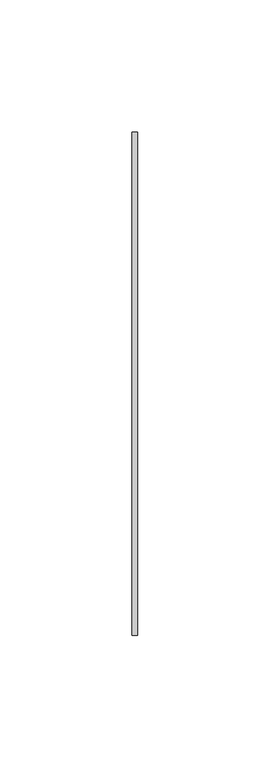
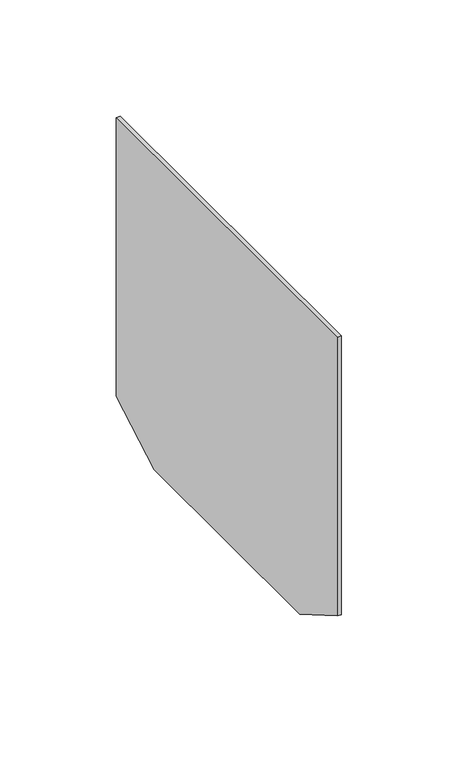
"""IFC4 building model written with IfcOpenShell, lengths in millimetres: proxy geometry."""

import ifcopenshell
import ifcopenshell.guid

model = None  # the IFC model being written
_history = None  # IfcOwnerHistory: only IFC2X3 demands one
_inside = {}  # id of a spatial element -> (the spatial element, [elements in it])
_under = {}  # id of a project, library or spatial element -> (it, [spatial elements below it])
_declared = {}  # id of a project -> (the project, [libraries it declares])
_typed = {}  # id of a type object -> (the type object, [elements of that type])
_made_of = {}  # id of a material, layer set ... -> (it, [elements and type objects made of it])


def new_model(schema):
    """Start an empty IFC model of exactly this schema.

    Asked for "IFC4X3", IfcOpenShell would pick the latest addendum, in which some entities
    have other attributes; the version numbers below select the first issue.
    IFC2X3 requires an IfcOwnerHistory on every rooted entity: one is made here for all.
    """
    global model, _history
    if schema == "IFC4X3":
        model = ifcopenshell.file(schema_version=(4, 3, 0, 0))
    else:
        model = ifcopenshell.file(schema=schema)
    _inside.clear()
    _under.clear()
    _declared.clear()
    _typed.clear()
    _made_of.clear()
    _history = None
    if model.schema == "IFC2X3":
        org = make("IfcOrganization", Name="unknown")
        user = make(
            "IfcPersonAndOrganization",
            ThePerson=make("IfcPerson", FamilyName="unknown"),
            TheOrganization=org,
        )
        app = make(
            "IfcApplication",
            ApplicationDeveloper=org,
            Version="unknown",
            ApplicationFullName="unknown",
            ApplicationIdentifier="unknown",
        )
        _history = make(
            "IfcOwnerHistory",
            OwningUser=user,
            OwningApplication=app,
            ChangeAction="ADDED",
            CreationDate=0,
        )
    return model


def make(cls, **values):
    """One entity of the class cls with the attributes given. An attribute that is None is left unset."""
    return model.create_entity(
        cls, **{name: value for name, value in values.items() if value is not None}
    )


def rooted(cls, **values):
    """An entity with a GlobalId (a new one), such as an element, a storey or a relation."""
    return make(cls, GlobalId=ifcopenshell.guid.new(), OwnerHistory=_history, **values)


def si_unit(unit_type, name, prefix=None):
    """IfcSIUnit, for example si_unit("LENGTHUNIT", "METRE", prefix="MILLI")."""
    return make("IfcSIUnit", UnitType=unit_type, Prefix=prefix, Name=name)


def assignment(units):
    """IfcUnitAssignment: the units of a project."""
    return None if units is None else make("IfcUnitAssignment", Units=units)


def point(xyz):
    """IfcCartesianPoint."""
    return None if xyz is None else make("IfcCartesianPoint", Coordinates=xyz)


def direction(xyz):
    """IfcDirection."""
    return None if xyz is None else make("IfcDirection", DirectionRatios=xyz)


def frame(location, z_axis=None, x_axis=None):
    """IfcAxis2Placement3D, a coordinate frame: its origin and axes. An axis left out is left unset."""
    return make(
        "IfcAxis2Placement3D",
        Location=point(location),
        Axis=direction(z_axis),
        RefDirection=direction(x_axis),
    )


def origin():
    """The frame at (0, 0, 0) with its axes left unset."""
    return frame((0.0, 0.0, 0.0))


def place(relative_to, where):
    """IfcLocalPlacement: puts the frame where relative to a parent placement (None: the world)."""
    return make(
        "IfcLocalPlacement", PlacementRelTo=relative_to, RelativePlacement=where
    )


def context(
    kind, dimensions, precision=None, world=None, true_north=None, identifier=None
):
    """IfcGeometricRepresentationContext, for example the 3D "Model" context."""
    return make(
        "IfcGeometricRepresentationContext",
        ContextIdentifier=identifier,
        ContextType=kind,
        CoordinateSpaceDimension=dimensions,
        Precision=precision,
        WorldCoordinateSystem=world,
        TrueNorth=true_north,
    )


def project(units=None, contexts=None):
    """IfcProject with its units and contexts."""
    return rooted(
        "IfcProject",
        Name="project",
        RepresentationContexts=contexts,
        UnitsInContext=assignment(units),
    )


def spatial(cls, under=None, at=None, **own):
    """A site, building, storey or space (cls), placed at a placement, below another one or the project."""
    s = rooted(cls, ObjectPlacement=at, **own)
    if under is not None:
        _under.setdefault(under.id(), (under, []))[1].append(s)
    return s


def polyline(points):
    """IfcPolyline through the points."""
    return make("IfcPolyline", Points=[point(p) for p in points])


def outline(outer, holes=None, kind="AREA"):
    """IfcArbitraryClosedProfileDef: a profile drawn as a closed curve; with holes, ...WithVoids."""
    if holes is None:
        return make("IfcArbitraryClosedProfileDef", ProfileType=kind, OuterCurve=outer)
    return make(
        "IfcArbitraryProfileDefWithVoids",
        ProfileType=kind,
        OuterCurve=outer,
        InnerCurves=holes,
    )


def extrude(swept, where, along, depth):
    """IfcExtrudedAreaSolid: the profile swept, set in the frame where, extruded along a direction by depth."""
    return make(
        "IfcExtrudedAreaSolid",
        SweptArea=swept,
        Position=where,
        ExtrudedDirection=direction(along),
        Depth=depth,
    )


def shape(context_of_items, identifier, shape_type, items):
    """IfcShapeRepresentation: the items that make up one representation, for example the "Body"."""
    return make(
        "IfcShapeRepresentation",
        ContextOfItems=context_of_items,
        RepresentationIdentifier=identifier,
        RepresentationType=shape_type,
        Items=items,
    )


def source(mapping_origin, context_of_items, identifier, shape_type, items):
    """IfcRepresentationMap: a shape defined once, which mapped items show again and again."""
    return make(
        "IfcRepresentationMap",
        MappingOrigin=mapping_origin,
        MappedRepresentation=shape(context_of_items, identifier, shape_type, items),
    )


def transform(
    local_origin,
    x_axis=None,
    y_axis=None,
    z_axis=None,
    scale=None,
    scale2=None,
    scale3=None,
    uniform=True,
):
    """IfcCartesianTransformationOperator3D, or its non-uniform kind. x_axis, y_axis, z_axis: its Axis1, 2, 3."""
    if uniform:
        return make(
            "IfcCartesianTransformationOperator3D",
            Axis1=direction(x_axis),
            Axis2=direction(y_axis),
            LocalOrigin=point(local_origin),
            Scale=scale,
            Axis3=direction(z_axis),
        )
    return make(
        "IfcCartesianTransformationOperator3DnonUniform",
        Axis1=direction(x_axis),
        Axis2=direction(y_axis),
        LocalOrigin=point(local_origin),
        Scale=scale,
        Axis3=direction(z_axis),
        Scale2=scale2,
        Scale3=scale3,
    )


def mapped(mapping_source, mapping_target):
    """IfcMappedItem: shows the shape of a source again, moved by a transform."""
    return make(
        "IfcMappedItem", MappingSource=mapping_source, MappingTarget=mapping_target
    )


def made_of(thing, what):
    """Note that an element or type object is made of a material, layer set ...; save() writes the relation."""
    if what is not None:
        _made_of.setdefault(what.id(), (what, []))[1].append(thing)
    return thing


def element(
    cls,
    number,
    at=None,
    inside=None,
    cuts=None,
    type_object=None,
    material=None,
    context=None,
    identifier="Body",
    shape_type=None,
    held_by="IfcProductDefinitionShape",
    body=None,
    shapes=None,
    **own,
):
    """One element of the class cls, such as IfcWall. Its Tag is "e" and its number.

    at: its placement. inside: the storey or other place that contains it. cuts: it is an
    opening in that element (IfcRelVoidsElement). A single representation is given by context,
    identifier, shape_type and body (its items); several are given by shapes. held_by: the class
    of the entity that holds the representations. save() writes the other relations.
    """
    e = rooted(cls, Tag="e%d" % number, ObjectPlacement=at, **own)
    if body is not None:
        shapes = [shape(context, identifier, shape_type, body)]
    if shapes is not None:
        e.Representation = make(held_by, Representations=shapes)
    if inside is not None:
        _inside.setdefault(inside.id(), (inside, []))[1].append(e)
    if cuts is not None:
        rooted(
            "IfcRelVoidsElement", RelatingBuildingElement=cuts, RelatedOpeningElement=e
        )
    if type_object is not None:
        _typed.setdefault(type_object.id(), (type_object, []))[1].append(e)
    return made_of(e, material)


def aggregate(whole, parts):
    """IfcRelAggregates: a whole, such as a stair, and the parts it consists of."""
    return rooted("IfcRelAggregates", RelatingObject=whole, RelatedObjects=parts)


def save(model, path):
    """Write the relations noted so far, then the file.

    IfcRelAggregates (storeys below a building ...), IfcRelContainedInSpatialStructure (elements
    in a storey), IfcRelDefinesByType, IfcRelAssociatesMaterial and IfcRelDeclares: one each for
    every whole, place, type object, material and project.
    """
    for whole, parts in _under.values():
        aggregate(whole, parts)
    for where, things in _inside.values():
        rooted(
            "IfcRelContainedInSpatialStructure",
            RelatedElements=things,
            RelatingStructure=where,
        )
    for kind, things in _typed.values():
        rooted("IfcRelDefinesByType", RelatedObjects=things, RelatingType=kind)
    for what, things in _made_of.values():
        rooted("IfcRelAssociatesMaterial", RelatedObjects=things, RelatingMaterial=what)
    for by, libraries in _declared.values():
        rooted("IfcRelDeclares", RelatingContext=by, RelatedDefinitions=libraries)
    model.write(path)


def generic_models_76c62a4b(model_context):
    return source(origin(), model_context, "Body", "SweptSolid", [
        extrude(outline(polyline([(95.0, -146.2361163), (62.5, -165.0), (-62.5, -165.0), (-95.0, -146.2361163), (-95.0, 0.0), (95.0, 0.0), (95.0, -146.2361163)])), frame((0.0, 0.0, 0.0), z_axis=(1.0, 0.0, 0.0), x_axis=(0.0, 1.0, 0.0)), (0.0, 0.0, 1.0), 2.0),
    ])


if __name__ == "__main__":
    model = new_model("IFC4")
    model_context = context("Model", 3, world=origin())
    ifc_project = project(units=[si_unit("LENGTHUNIT", "METRE", prefix="MILLI")], contexts=[model_context])
    site = spatial("IfcSite", under=ifc_project)
    building = spatial("IfcBuilding", under=site)
    placement = place(None, origin())
    generic_models_shape = generic_models_76c62a4b(model_context)
    element("IfcBuildingElementProxy", 1, Name="Generic Models", at=placement, inside=building, context=model_context, shape_type="MappedRepresentation", body=[
        mapped(generic_models_shape, transform((0.0, 0.0, 0.0), x_axis=(1.0, 0.0, 0.0), y_axis=(0.0, 1.0, 0.0), z_axis=(0.0, 0.0, 1.0))),
    ])
    save(model, "model.ifc")
